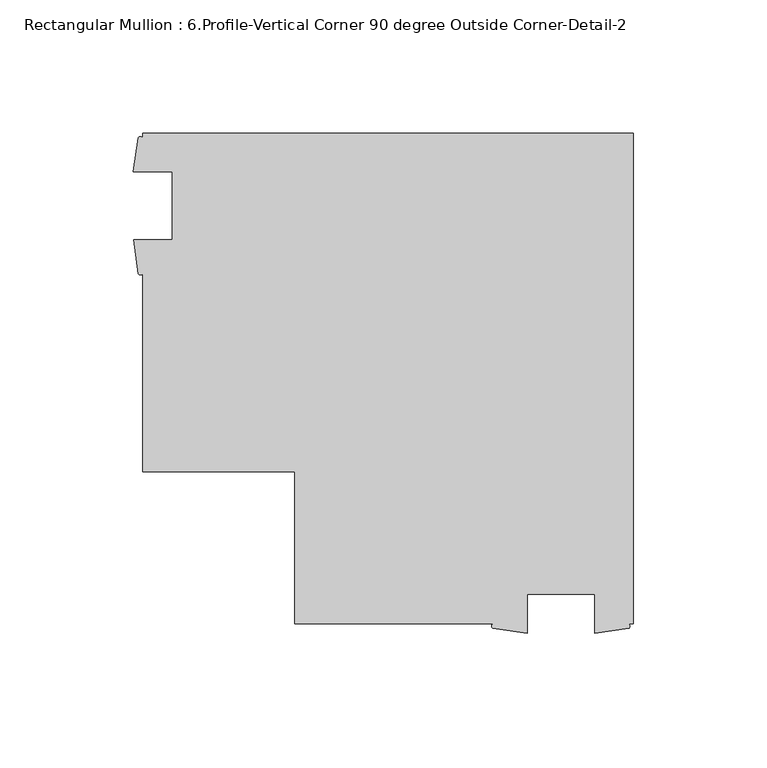
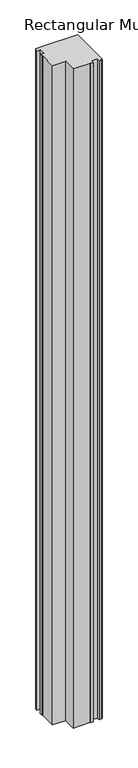
"""IFC4 building model written with IfcOpenShell, lengths in millimetres: member geometry, Rectangular Mullion : 6.Profile-Vertical Corner 90 degree Outside Corner-Detail-2."""

from ifc_helpers import new_model, si_unit, point, frame, frame_2d, origin, place, context, project, spatial, polyline, circle_curve, trimmed, segment, composite_curve, outline, extrude, source, transform, mapped, element, save


def rectangular_mullion_6_profile_vertical_corner_90_degree_856cdaa3(model_context):
    return source(origin(), model_context, "Body", "SweptSolid", [
        extrude(outline(composite_curve([segment(polyline([(-146.05, 127.0), (0.0, 127.0), (0.0, -57.15), (-1.7304722, -57.15)]), True, "CONTINUOUS"), segment(trimmed(circle_curve(frame_2d((-2.3468084, -57.9817022)), 1.0351806), [point((-1.7304722, -57.15))], [point((-1.7304722, -58.8134044))], False, "CARTESIAN"), True, "CONTINUOUS"), segment(polyline([(-1.7304722, -58.8134044), (-14.503525, -60.6695217), (-14.503525, -46.0375), (-39.903525, -46.0375), (-39.903525, -60.546), (-52.6748126, -58.7358963)]), True, "CONTINUOUS"), segment(trimmed(circle_curve(frame_2d((-52.2639675, -57.9429481)), 0.8930624), [point((-52.6748126, -58.7358963))], [point((-52.6748126, -57.15))], False, "CARTESIAN"), True, "CONTINUOUS"), segment(polyline([(-52.6748126, -57.15), (-127.0, -57.15), (-127.0, 0.0), (-184.15, 0.0), (-184.15, 74.3251874)]), True, "CONTINUOUS"), segment(trimmed(circle_curve(frame_2d((-184.9429481, 74.764853)), 0.9066821), [point((-184.15, 74.3251874))], [point((-185.7358963, 74.3251874))], False, "CARTESIAN"), True, "CONTINUOUS"), segment(polyline([(-185.7358963, 74.3251874), (-187.546, 87.096475), (-173.0375, 87.096475), (-173.0375, 112.496475), (-187.6695217, 112.496475), (-185.8134044, 125.2695278)]), True, "CONTINUOUS"), segment(trimmed(circle_curve(frame_2d((-184.9817022, 124.7134969)), 1.0004493), [point((-185.8134044, 125.2695278))], [point((-184.15, 125.2695278))], False, "CARTESIAN"), True, "CONTINUOUS"), segment(polyline([(-184.15, 125.2695278), (-184.15, 127.0), (-146.05, 127.0)]), True, "CONTINUOUS")], self_intersect=False)), frame((0.0, 0.0, -3048.0), z_axis=(0.0, 0.0, 1.0), x_axis=(1.0, 0.0, 0.0)), (0.0, 0.0, 1.0), 3048.0),
    ])


if __name__ == "__main__":
    model = new_model("IFC4")
    model_context = context("Model", 3, world=origin())
    ifc_project = project(units=[si_unit("LENGTHUNIT", "METRE", prefix="MILLI")], contexts=[model_context])
    site = spatial("IfcSite", under=ifc_project)
    building = spatial("IfcBuilding", under=site)
    placement = place(None, origin())
    rectangular_mullion_6_profile_vertical_corner_90_degree_shape = rectangular_mullion_6_profile_vertical_corner_90_degree_856cdaa3(model_context)
    element("IfcMember", 1, ObjectType="Rectangular Mullion : 6.Profile-Vertical Corner 90 degree Outside Corner-Detail-2", at=placement, inside=building, context=model_context, shape_type="MappedRepresentation", body=[
        mapped(rectangular_mullion_6_profile_vertical_corner_90_degree_shape, transform((0.0, 0.0, 0.0), x_axis=(1.0, 0.0, 0.0), y_axis=(0.0, 1.0, 0.0), z_axis=(0.0, 0.0, 1.0))),
    ])
    save(model, "model.ifc")
